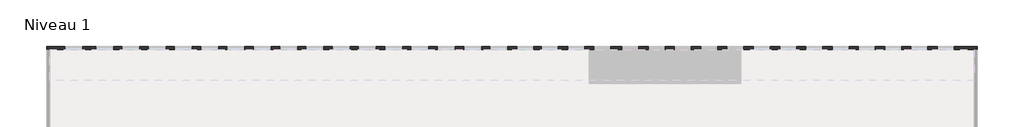
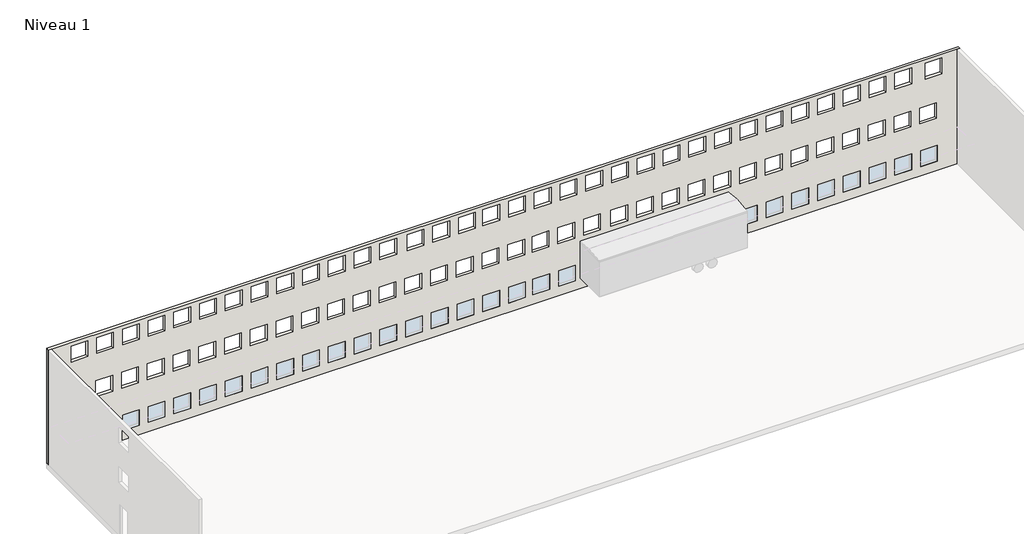
# One storey, part 4 of 5: 1 wall.
"""IFC4 building model written with IfcOpenShell, lengths in millimetres."""

from ifc_helpers import new_model, si_unit, origin, place, context, project, spatial, faceted_brep, element, save

model = new_model("IFC4")

# Units and contexts
model_context = context("Model", 3, world=origin())
ifc_project = project(units=[si_unit("LENGTHUNIT", "METRE", prefix="MILLI")], contexts=[model_context])

# Site, building, storey
site = spatial("IfcSite", under=ifc_project)
building = spatial("IfcBuilding", under=site)
storey = spatial("IfcBuildingStorey", under=building, Name="Niveau 1", Elevation=0.0)

# Wall
placement = place(None, origin())
element("IfcWall", 1, at=placement, inside=storey, context=model_context, shape_type="Brep", body=[
    faceted_brep([(-25466.075423, 7853.1124417, 0.0), (-25266.075423, 7853.1124417, 0.0), (34533.924577, 7853.1124417, 0.0), (34733.924577, 7853.1124417, 0.0), (34733.924577, 7853.1124417, 8000.0), (34533.924577, 7853.1124417, 8000.0), (-25266.075423, 7853.1124417, 8000.0), (-25466.075423, 7853.1124417, 8000.0), (-24266.075423, 7853.1124417, 650.0), (-24266.075423, 7853.1124417, 1750.0), (-23166.075423, 7853.1124417, 1750.0), (-23166.075423, 7853.1124417, 650.0), (-22266.075423, 7853.1124417, 650.0), (-22266.075423, 7853.1124417, 1750.0), (-21166.075423, 7853.1124417, 1750.0), (-21166.075423, 7853.1124417, 650.0), (-20566.075423, 7853.1124417, 650.0), (-20566.075423, 7853.1124417, 1750.0), (-19466.075423, 7853.1124417, 1750.0), (-19466.075423, 7853.1124417, 650.0), (-18866.075423, 7853.1124417, 650.0), (-18866.075423, 7853.1124417, 1750.0), (-17766.075423, 7853.1124417, 1750.0), (-17766.075423, 7853.1124417, 650.0), (-17166.075423, 7853.1124417, 650.0), (-17166.075423, 7853.1124417, 1750.0), (-16066.075423, 7853.1124417, 1750.0), (-16066.075423, 7853.1124417, 650.0), (-15466.075423, 7853.1124417, 650.0), (-15466.075423, 7853.1124417, 1750.0), (-14366.075423, 7853.1124417, 1750.0), (-14366.075423, 7853.1124417, 650.0), (-13766.075423, 7853.1124417, 650.0), (-13766.075423, 7853.1124417, 1750.0), (-12666.075423, 7853.1124417, 1750.0), (-12666.075423, 7853.1124417, 650.0), (-12066.075423, 7853.1124417, 650.0), (-12066.075423, 7853.1124417, 1750.0), (-10966.075423, 7853.1124417, 1750.0), (-10966.075423, 7853.1124417, 650.0), (-10366.075423, 7853.1124417, 650.0), (-10366.075423, 7853.1124417, 1750.0), (-9266.075423, 7853.1124417, 1750.0), (-9266.075423, 7853.1124417, 650.0), (-8666.075423, 7853.1124417, 650.0), (-8666.075423, 7853.1124417, 1750.0), (-7566.075423, 7853.1124417, 1750.0), (-7566.075423, 7853.1124417, 650.0), (-6966.075423, 7853.1124417, 650.0), (-6966.075423, 7853.1124417, 1750.0), (-5866.075423, 7853.1124417, 1750.0), (-5866.075423, 7853.1124417, 650.0), (-5266.075423, 7853.1124417, 650.0), (-5266.075423, 7853.1124417, 1750.0), (-4166.075423, 7853.1124417, 1750.0), (-4166.075423, 7853.1124417, 650.0), (-3566.075423, 7853.1124417, 650.0), (-3566.075423, 7853.1124417, 1750.0), (-2466.075423, 7853.1124417, 1750.0), (-2466.075423, 7853.1124417, 650.0), (-1866.075423, 7853.1124417, 650.0), (-1866.075423, 7853.1124417, 1750.0), (-766.075423, 7853.1124417, 1750.0), (-766.075423, 7853.1124417, 650.0), (-166.075423, 7853.1124417, 650.0), (-166.075423, 7853.1124417, 1750.0), (933.924577, 7853.1124417, 1750.0), (933.924577, 7853.1124417, 650.0), (1533.924577, 7853.1124417, 650.0), (1533.924577, 7853.1124417, 1750.0), (2633.924577, 7853.1124417, 1750.0), (2633.924577, 7853.1124417, 650.0), (3233.924577, 7853.1124417, 650.0), (3233.924577, 7853.1124417, 1750.0), (4333.924577, 7853.1124417, 1750.0), (4333.924577, 7853.1124417, 650.0), (4933.924577, 7853.1124417, 650.0), (4933.924577, 7853.1124417, 1750.0), (6033.924577, 7853.1124417, 1750.0), (6033.924577, 7853.1124417, 650.0), (6533.924577, 7853.1124417, 650.0), (6533.924577, 7853.1124417, 1750.0), (7633.924577, 7853.1124417, 1750.0), (7633.924577, 7853.1124417, 650.0), (8233.924577, 7853.1124417, 650.0), (8233.924577, 7853.1124417, 1750.0), (9333.924577, 7853.1124417, 1750.0), (9333.924577, 7853.1124417, 650.0), (9933.924577, 7853.1124417, 650.0), (9933.924577, 7853.1124417, 1750.0), (11033.924577, 7853.1124417, 1750.0), (11033.924577, 7853.1124417, 650.0), (11733.924577, 7853.1124417, 650.0), (11733.924577, 7853.1124417, 1750.0), (12833.924577, 7853.1124417, 1750.0), (12833.924577, 7853.1124417, 650.0), (13433.924577, 7853.1124417, 650.0), (13433.924577, 7853.1124417, 1750.0), (14533.924577, 7853.1124417, 1750.0), (14533.924577, 7853.1124417, 650.0), (15133.924577, 7853.1124417, 650.0), (15133.924577, 7853.1124417, 1750.0), (16233.924577, 7853.1124417, 1750.0), (16233.924577, 7853.1124417, 650.0), (16833.924577, 7853.1124417, 650.0), (16833.924577, 7853.1124417, 1750.0), (17933.924577, 7853.1124417, 1750.0), (17933.924577, 7853.1124417, 650.0), (18533.924577, 7853.1124417, 650.0), (18533.924577, 7853.1124417, 1750.0), (19633.924577, 7853.1124417, 1750.0), (19633.924577, 7853.1124417, 650.0), (20233.924577, 7853.1124417, 650.0), (20233.924577, 7853.1124417, 1750.0), (21333.924577, 7853.1124417, 1750.0), (21333.924577, 7853.1124417, 650.0), (21933.924577, 7853.1124417, 650.0), (21933.924577, 7853.1124417, 1750.0), (23033.924577, 7853.1124417, 1750.0), (23033.924577, 7853.1124417, 650.0), (23633.924577, 7853.1124417, 650.0), (23633.924577, 7853.1124417, 1750.0), (24733.924577, 7853.1124417, 1750.0), (24733.924577, 7853.1124417, 650.0), (25333.924577, 7853.1124417, 650.0), (25333.924577, 7853.1124417, 1750.0), (26433.924577, 7853.1124417, 1750.0), (26433.924577, 7853.1124417, 650.0), (27033.924577, 7853.1124417, 650.0), (27033.924577, 7853.1124417, 1750.0), (28133.924577, 7853.1124417, 1750.0), (28133.924577, 7853.1124417, 650.0), (28733.924577, 7853.1124417, 650.0), (28733.924577, 7853.1124417, 1750.0), (29833.924577, 7853.1124417, 1750.0), (29833.924577, 7853.1124417, 650.0), (30433.924577, 7853.1124417, 650.0), (30433.924577, 7853.1124417, 1750.0), (31533.924577, 7853.1124417, 1750.0), (31533.924577, 7853.1124417, 650.0), (32133.924577, 7853.1124417, 650.0), (32133.924577, 7853.1124417, 1750.0), (33233.924577, 7853.1124417, 1750.0), (33233.924577, 7853.1124417, 650.0), (32083.924577, 7853.1124417, 3650.0), (32083.924577, 7853.1124417, 4750.0), (33183.924577, 7853.1124417, 4750.0), (33183.924577, 7853.1124417, 3650.0), (30383.924577, 7853.1124417, 3650.0), (30383.924577, 7853.1124417, 4750.0), (31483.924577, 7853.1124417, 4750.0), (31483.924577, 7853.1124417, 3650.0), (28683.924577, 7853.1124417, 3650.0), (28683.924577, 7853.1124417, 4750.0), (29783.924577, 7853.1124417, 4750.0), (29783.924577, 7853.1124417, 3650.0), (26983.924577, 7853.1124417, 3650.0), (26983.924577, 7853.1124417, 4750.0), (28083.924577, 7853.1124417, 4750.0), (28083.924577, 7853.1124417, 3650.0), (25283.924577, 7853.1124417, 3650.0), (25283.924577, 7853.1124417, 4750.0), (26383.924577, 7853.1124417, 4750.0), (26383.924577, 7853.1124417, 3650.0), (23583.924577, 7853.1124417, 3650.0), (23583.924577, 7853.1124417, 4750.0), (24683.924577, 7853.1124417, 4750.0), (24683.924577, 7853.1124417, 3650.0), (21883.924577, 7853.1124417, 3650.0), (21883.924577, 7853.1124417, 4750.0), (22983.924577, 7853.1124417, 4750.0), (22983.924577, 7853.1124417, 3650.0), (20183.924577, 7853.1124417, 3650.0), (20183.924577, 7853.1124417, 4750.0), (21283.924577, 7853.1124417, 4750.0), (21283.924577, 7853.1124417, 3650.0), (18483.924577, 7853.1124417, 3650.0), (18483.924577, 7853.1124417, 4750.0), (19583.924577, 7853.1124417, 4750.0), (19583.924577, 7853.1124417, 3650.0), (16783.924577, 7853.1124417, 3650.0), (16783.924577, 7853.1124417, 4750.0), (17883.924577, 7853.1124417, 4750.0), (17883.924577, 7853.1124417, 3650.0), (15083.924577, 7853.1124417, 3650.0), (15083.924577, 7853.1124417, 4750.0), (16183.924577, 7853.1124417, 4750.0), (16183.924577, 7853.1124417, 3650.0), (13383.924577, 7853.1124417, 3650.0), (13383.924577, 7853.1124417, 4750.0), (14483.924577, 7853.1124417, 4750.0), (14483.924577, 7853.1124417, 3650.0), (11683.924577, 7853.1124417, 3650.0), (11683.924577, 7853.1124417, 4750.0), (12783.924577, 7853.1124417, 4750.0), (12783.924577, 7853.1124417, 3650.0), (9883.924577, 7853.1124417, 3650.0), (9883.924577, 7853.1124417, 4750.0), (10983.924577, 7853.1124417, 4750.0), (10983.924577, 7853.1124417, 3650.0), (8183.924577, 7853.1124417, 3650.0), (8183.924577, 7853.1124417, 4750.0), (9283.924577, 7853.1124417, 4750.0), (9283.924577, 7853.1124417, 3650.0), (6483.924577, 7853.1124417, 3650.0), (6483.924577, 7853.1124417, 4750.0), (7583.924577, 7853.1124417, 4750.0), (7583.924577, 7853.1124417, 3650.0), (4883.924577, 7853.1124417, 3650.0), (4883.924577, 7853.1124417, 4750.0), (5983.924577, 7853.1124417, 4750.0), (5983.924577, 7853.1124417, 3650.0), (3183.924577, 7853.1124417, 3650.0), (3183.924577, 7853.1124417, 4750.0), (4283.924577, 7853.1124417, 4750.0), (4283.924577, 7853.1124417, 3650.0), (1483.924577, 7853.1124417, 3650.0), (1483.924577, 7853.1124417, 4750.0), (2583.924577, 7853.1124417, 4750.0), (2583.924577, 7853.1124417, 3650.0), (-216.075423, 7853.1124417, 3650.0), (-216.075423, 7853.1124417, 4750.0), (883.924577, 7853.1124417, 4750.0), (883.924577, 7853.1124417, 3650.0), (-1916.075423, 7853.1124417, 3650.0), (-1916.075423, 7853.1124417, 4750.0), (-816.075423, 7853.1124417, 4750.0), (-816.075423, 7853.1124417, 3650.0), (-3616.075423, 7853.1124417, 3650.0), (-3616.075423, 7853.1124417, 4750.0), (-2516.075423, 7853.1124417, 4750.0), (-2516.075423, 7853.1124417, 3650.0), (-5316.075423, 7853.1124417, 3650.0), (-5316.075423, 7853.1124417, 4750.0), (-4216.075423, 7853.1124417, 4750.0), (-4216.075423, 7853.1124417, 3650.0), (-7016.075423, 7853.1124417, 3650.0), (-7016.075423, 7853.1124417, 4750.0), (-5916.075423, 7853.1124417, 4750.0), (-5916.075423, 7853.1124417, 3650.0), (-8716.075423, 7853.1124417, 3650.0), (-8716.075423, 7853.1124417, 4750.0), (-7616.075423, 7853.1124417, 4750.0), (-7616.075423, 7853.1124417, 3650.0), (-10416.075423, 7853.1124417, 3650.0), (-10416.075423, 7853.1124417, 4750.0), (-9316.075423, 7853.1124417, 4750.0), (-9316.075423, 7853.1124417, 3650.0), (-12116.075423, 7853.1124417, 3650.0), (-12116.075423, 7853.1124417, 4750.0), (-11016.075423, 7853.1124417, 4750.0), (-11016.075423, 7853.1124417, 3650.0), (-13816.075423, 7853.1124417, 3650.0), (-13816.075423, 7853.1124417, 4750.0), (-12716.075423, 7853.1124417, 4750.0), (-12716.075423, 7853.1124417, 3650.0), (-15516.075423, 7853.1124417, 3650.0), (-15516.075423, 7853.1124417, 4750.0), (-14416.075423, 7853.1124417, 4750.0), (-14416.075423, 7853.1124417, 3650.0), (-17216.075423, 7853.1124417, 3650.0), (-17216.075423, 7853.1124417, 4750.0), (-16116.075423, 7853.1124417, 4750.0), (-16116.075423, 7853.1124417, 3650.0), (-18916.075423, 7853.1124417, 3650.0), (-18916.075423, 7853.1124417, 4750.0), (-17816.075423, 7853.1124417, 4750.0), (-17816.075423, 7853.1124417, 3650.0), (-20616.075423, 7853.1124417, 3650.0), (-20616.075423, 7853.1124417, 4750.0), (-19516.075423, 7853.1124417, 4750.0), (-19516.075423, 7853.1124417, 3650.0), (-22316.075423, 7853.1124417, 3650.0), (-22316.075423, 7853.1124417, 4750.0), (-21216.075423, 7853.1124417, 4750.0), (-21216.075423, 7853.1124417, 3650.0), (-24316.075423, 7853.1124417, 3650.0), (-24316.075423, 7853.1124417, 4750.0), (-23216.075423, 7853.1124417, 4750.0), (-23216.075423, 7853.1124417, 3650.0), (-22866.075423, 7853.1124417, 6650.0), (-23966.075423, 7853.1124417, 6650.0), (-23966.075423, 7853.1124417, 7750.0), (-22866.075423, 7853.1124417, 7750.0), (-21166.075423, 7853.1124417, 6650.0), (-22266.075423, 7853.1124417, 6650.0), (-22266.075423, 7853.1124417, 7750.0), (-21166.075423, 7853.1124417, 7750.0), (-19466.075423, 7853.1124417, 6650.0), (-20566.075423, 7853.1124417, 6650.0), (-20566.075423, 7853.1124417, 7750.0), (-19466.075423, 7853.1124417, 7750.0), (-17766.075423, 7853.1124417, 6650.0), (-18866.075423, 7853.1124417, 6650.0), (-18866.075423, 7853.1124417, 7750.0), (-17766.075423, 7853.1124417, 7750.0), (-16066.075423, 7853.1124417, 6650.0), (-17166.075423, 7853.1124417, 6650.0), (-17166.075423, 7853.1124417, 7750.0), (-16066.075423, 7853.1124417, 7750.0), (-14366.075423, 7853.1124417, 6650.0), (-15466.075423, 7853.1124417, 6650.0), (-15466.075423, 7853.1124417, 7750.0), (-14366.075423, 7853.1124417, 7750.0), (-12666.075423, 7853.1124417, 6650.0), (-13766.075423, 7853.1124417, 6650.0), (-13766.075423, 7853.1124417, 7750.0), (-12666.075423, 7853.1124417, 7750.0), (-10966.075423, 7853.1124417, 6650.0), (-12066.075423, 7853.1124417, 6650.0), (-12066.075423, 7853.1124417, 7750.0), (-10966.075423, 7853.1124417, 7750.0), (-9266.075423, 7853.1124417, 6650.0), (-10366.075423, 7853.1124417, 6650.0), (-10366.075423, 7853.1124417, 7750.0), (-9266.075423, 7853.1124417, 7750.0), (-7566.075423, 7853.1124417, 6650.0), (-8666.075423, 7853.1124417, 6650.0), (-8666.075423, 7853.1124417, 7750.0), (-7566.075423, 7853.1124417, 7750.0), (-5866.075423, 7853.1124417, 6650.0), (-6966.075423, 7853.1124417, 6650.0), (-6966.075423, 7853.1124417, 7750.0), (-5866.075423, 7853.1124417, 7750.0), (-4166.075423, 7853.1124417, 6650.0), (-5266.075423, 7853.1124417, 6650.0), (-5266.075423, 7853.1124417, 7750.0), (-4166.075423, 7853.1124417, 7750.0), (-2466.075423, 7853.1124417, 6650.0), (-3566.075423, 7853.1124417, 6650.0), (-3566.075423, 7853.1124417, 7750.0), (-2466.075423, 7853.1124417, 7750.0), (-666.075423, 7853.1124417, 6650.0), (-1766.075423, 7853.1124417, 6650.0), (-1766.075423, 7853.1124417, 7750.0), (-666.075423, 7853.1124417, 7750.0), (1033.924577, 7853.1124417, 6650.0), (-66.075423, 7853.1124417, 6650.0), (-66.075423, 7853.1124417, 7750.0), (1033.924577, 7853.1124417, 7750.0), (2733.924577, 7853.1124417, 6650.0), (1633.924577, 7853.1124417, 6650.0), (1633.924577, 7853.1124417, 7750.0), (2733.924577, 7853.1124417, 7750.0), (4333.924577, 7853.1124417, 6650.0), (3233.924577, 7853.1124417, 6650.0), (3233.924577, 7853.1124417, 7750.0), (4333.924577, 7853.1124417, 7750.0), (6033.924577, 7853.1124417, 6650.0), (4933.924577, 7853.1124417, 6650.0), (4933.924577, 7853.1124417, 7750.0), (6033.924577, 7853.1124417, 7750.0), (7733.924577, 7853.1124417, 6650.0), (6633.924577, 7853.1124417, 6650.0), (6633.924577, 7853.1124417, 7750.0), (7733.924577, 7853.1124417, 7750.0), (9433.924577, 7853.1124417, 6650.0), (8333.924577, 7853.1124417, 6650.0), (8333.924577, 7853.1124417, 7750.0), (9433.924577, 7853.1124417, 7750.0), (11133.924577, 7853.1124417, 6650.0), (10033.924577, 7853.1124417, 6650.0), (10033.924577, 7853.1124417, 7750.0), (11133.924577, 7853.1124417, 7750.0), (12833.924577, 7853.1124417, 6650.0), (11733.924577, 7853.1124417, 6650.0), (11733.924577, 7853.1124417, 7750.0), (12833.924577, 7853.1124417, 7750.0), (14533.924577, 7853.1124417, 6650.0), (13433.924577, 7853.1124417, 6650.0), (13433.924577, 7853.1124417, 7750.0), (14533.924577, 7853.1124417, 7750.0), (16233.924577, 7853.1124417, 6650.0), (15133.924577, 7853.1124417, 6650.0), (15133.924577, 7853.1124417, 7750.0), (16233.924577, 7853.1124417, 7750.0), (17933.924577, 7853.1124417, 6650.0), (16833.924577, 7853.1124417, 6650.0), (16833.924577, 7853.1124417, 7750.0), (17933.924577, 7853.1124417, 7750.0), (19633.924577, 7853.1124417, 6650.0), (18533.924577, 7853.1124417, 6650.0), (18533.924577, 7853.1124417, 7750.0), (19633.924577, 7853.1124417, 7750.0), (21333.924577, 7853.1124417, 6650.0), (20233.924577, 7853.1124417, 6650.0), (20233.924577, 7853.1124417, 7750.0), (21333.924577, 7853.1124417, 7750.0), (23033.924577, 7853.1124417, 6650.0), (21933.924577, 7853.1124417, 6650.0), (21933.924577, 7853.1124417, 7750.0), (23033.924577, 7853.1124417, 7750.0), (24733.924577, 7853.1124417, 6650.0), (23633.924577, 7853.1124417, 6650.0), (23633.924577, 7853.1124417, 7750.0), (24733.924577, 7853.1124417, 7750.0), (26433.924577, 7853.1124417, 6650.0), (25333.924577, 7853.1124417, 6650.0), (25333.924577, 7853.1124417, 7750.0), (26433.924577, 7853.1124417, 7750.0), (28133.924577, 7853.1124417, 6650.0), (27033.924577, 7853.1124417, 6650.0), (27033.924577, 7853.1124417, 7750.0), (28133.924577, 7853.1124417, 7750.0), (29833.924577, 7853.1124417, 6650.0), (28733.924577, 7853.1124417, 6650.0), (28733.924577, 7853.1124417, 7750.0), (29833.924577, 7853.1124417, 7750.0), (31533.924577, 7853.1124417, 6650.0), (30433.924577, 7853.1124417, 6650.0), (30433.924577, 7853.1124417, 7750.0), (31533.924577, 7853.1124417, 7750.0), (33533.924577, 7853.1124417, 6650.0), (32433.924577, 7853.1124417, 6650.0), (32433.924577, 7853.1124417, 7750.0), (33533.924577, 7853.1124417, 7750.0), (-25466.075423, 8053.1124417, 0.0), (-25466.075423, 8053.1124417, 8000.0), (34733.924577, 8053.1124417, 8000.0), (34733.924577, 8053.1124417, 0.0), (-24266.075423, 8053.1124417, 650.0), (-23166.075423, 8053.1124417, 650.0), (-23166.075423, 8053.1124417, 1750.0), (-24266.075423, 8053.1124417, 1750.0), (-22266.075423, 8053.1124417, 650.0), (-21166.075423, 8053.1124417, 650.0), (-21166.075423, 8053.1124417, 1750.0), (-22266.075423, 8053.1124417, 1750.0), (-20566.075423, 8053.1124417, 650.0), (-19466.075423, 8053.1124417, 650.0), (-19466.075423, 8053.1124417, 1750.0), (-20566.075423, 8053.1124417, 1750.0), (-18866.075423, 8053.1124417, 650.0), (-17766.075423, 8053.1124417, 650.0), (-17766.075423, 8053.1124417, 1750.0), (-18866.075423, 8053.1124417, 1750.0), (-17166.075423, 8053.1124417, 650.0), (-16066.075423, 8053.1124417, 650.0), (-16066.075423, 8053.1124417, 1750.0), (-17166.075423, 8053.1124417, 1750.0), (-15466.075423, 8053.1124417, 650.0), (-14366.075423, 8053.1124417, 650.0), (-14366.075423, 8053.1124417, 1750.0), (-15466.075423, 8053.1124417, 1750.0), (-13766.075423, 8053.1124417, 650.0), (-12666.075423, 8053.1124417, 650.0), (-12666.075423, 8053.1124417, 1750.0), (-13766.075423, 8053.1124417, 1750.0), (-12066.075423, 8053.1124417, 650.0), (-10966.075423, 8053.1124417, 650.0), (-10966.075423, 8053.1124417, 1750.0), (-12066.075423, 8053.1124417, 1750.0), (-10366.075423, 8053.1124417, 650.0), (-9266.075423, 8053.1124417, 650.0), (-9266.075423, 8053.1124417, 1750.0), (-10366.075423, 8053.1124417, 1750.0), (-8666.075423, 8053.1124417, 650.0), (-7566.075423, 8053.1124417, 650.0), (-7566.075423, 8053.1124417, 1750.0), (-8666.075423, 8053.1124417, 1750.0), (-6966.075423, 8053.1124417, 650.0), (-5866.075423, 8053.1124417, 650.0), (-5866.075423, 8053.1124417, 1750.0), (-6966.075423, 8053.1124417, 1750.0), (-5266.075423, 8053.1124417, 650.0), (-4166.075423, 8053.1124417, 650.0), (-4166.075423, 8053.1124417, 1750.0), (-5266.075423, 8053.1124417, 1750.0), (-3566.075423, 8053.1124417, 650.0), (-2466.075423, 8053.1124417, 650.0), (-2466.075423, 8053.1124417, 1750.0), (-3566.075423, 8053.1124417, 1750.0), (-1866.075423, 8053.1124417, 650.0), (-766.075423, 8053.1124417, 650.0), (-766.075423, 8053.1124417, 1750.0), (-1866.075423, 8053.1124417, 1750.0), (-166.075423, 8053.1124417, 650.0), (933.924577, 8053.1124417, 650.0), (933.924577, 8053.1124417, 1750.0), (-166.075423, 8053.1124417, 1750.0), (1533.924577, 8053.1124417, 650.0), (2633.924577, 8053.1124417, 650.0), (2633.924577, 8053.1124417, 1750.0), (1533.924577, 8053.1124417, 1750.0), (3233.924577, 8053.1124417, 650.0), (4333.924577, 8053.1124417, 650.0), (4333.924577, 8053.1124417, 1750.0), (3233.924577, 8053.1124417, 1750.0), (4933.924577, 8053.1124417, 650.0), (6033.924577, 8053.1124417, 650.0), (6033.924577, 8053.1124417, 1750.0), (4933.924577, 8053.1124417, 1750.0), (6533.924577, 8053.1124417, 650.0), (7633.924577, 8053.1124417, 650.0), (7633.924577, 8053.1124417, 1750.0), (6533.924577, 8053.1124417, 1750.0), (8233.924577, 8053.1124417, 650.0), (9333.924577, 8053.1124417, 650.0), (9333.924577, 8053.1124417, 1750.0), (8233.924577, 8053.1124417, 1750.0), (9933.924577, 8053.1124417, 650.0), (11033.924577, 8053.1124417, 650.0), (11033.924577, 8053.1124417, 1750.0), (9933.924577, 8053.1124417, 1750.0), (11733.924577, 8053.1124417, 650.0), (12833.924577, 8053.1124417, 650.0), (12833.924577, 8053.1124417, 1750.0), (11733.924577, 8053.1124417, 1750.0), (13433.924577, 8053.1124417, 650.0), (14533.924577, 8053.1124417, 650.0), (14533.924577, 8053.1124417, 1750.0), (13433.924577, 8053.1124417, 1750.0), (15133.924577, 8053.1124417, 650.0), (16233.924577, 8053.1124417, 650.0), (16233.924577, 8053.1124417, 1750.0), (15133.924577, 8053.1124417, 1750.0), (16833.924577, 8053.1124417, 650.0), (17933.924577, 8053.1124417, 650.0), (17933.924577, 8053.1124417, 1750.0), (16833.924577, 8053.1124417, 1750.0), (18533.924577, 8053.1124417, 650.0), (19633.924577, 8053.1124417, 650.0), (19633.924577, 8053.1124417, 1750.0), (18533.924577, 8053.1124417, 1750.0), (20233.924577, 8053.1124417, 650.0), (21333.924577, 8053.1124417, 650.0), (21333.924577, 8053.1124417, 1750.0), (20233.924577, 8053.1124417, 1750.0), (21933.924577, 8053.1124417, 650.0), (23033.924577, 8053.1124417, 650.0), (23033.924577, 8053.1124417, 1750.0), (21933.924577, 8053.1124417, 1750.0), (23633.924577, 8053.1124417, 650.0), (24733.924577, 8053.1124417, 650.0), (24733.924577, 8053.1124417, 1750.0), (23633.924577, 8053.1124417, 1750.0), (25333.924577, 8053.1124417, 650.0), (26433.924577, 8053.1124417, 650.0), (26433.924577, 8053.1124417, 1750.0), (25333.924577, 8053.1124417, 1750.0), (27033.924577, 8053.1124417, 650.0), (28133.924577, 8053.1124417, 650.0), (28133.924577, 8053.1124417, 1750.0), (27033.924577, 8053.1124417, 1750.0), (28733.924577, 8053.1124417, 650.0), (29833.924577, 8053.1124417, 650.0), (29833.924577, 8053.1124417, 1750.0), (28733.924577, 8053.1124417, 1750.0), (30433.924577, 8053.1124417, 650.0), (31533.924577, 8053.1124417, 650.0), (31533.924577, 8053.1124417, 1750.0), (30433.924577, 8053.1124417, 1750.0), (32133.924577, 8053.1124417, 650.0), (33233.924577, 8053.1124417, 650.0), (33233.924577, 8053.1124417, 1750.0), (32133.924577, 8053.1124417, 1750.0), (32083.924577, 8053.1124417, 3650.0), (33183.924577, 8053.1124417, 3650.0), (33183.924577, 8053.1124417, 4750.0), (32083.924577, 8053.1124417, 4750.0), (30383.924577, 8053.1124417, 3650.0), (31483.924577, 8053.1124417, 3650.0), (31483.924577, 8053.1124417, 4750.0), (30383.924577, 8053.1124417, 4750.0), (28683.924577, 8053.1124417, 3650.0), (29783.924577, 8053.1124417, 3650.0), (29783.924577, 8053.1124417, 4750.0), (28683.924577, 8053.1124417, 4750.0), (26983.924577, 8053.1124417, 3650.0), (28083.924577, 8053.1124417, 3650.0), (28083.924577, 8053.1124417, 4750.0), (26983.924577, 8053.1124417, 4750.0), (25283.924577, 8053.1124417, 3650.0), (26383.924577, 8053.1124417, 3650.0), (26383.924577, 8053.1124417, 4750.0), (25283.924577, 8053.1124417, 4750.0), (23583.924577, 8053.1124417, 3650.0), (24683.924577, 8053.1124417, 3650.0), (24683.924577, 8053.1124417, 4750.0), (23583.924577, 8053.1124417, 4750.0), (21883.924577, 8053.1124417, 3650.0), (22983.924577, 8053.1124417, 3650.0), (22983.924577, 8053.1124417, 4750.0), (21883.924577, 8053.1124417, 4750.0), (20183.924577, 8053.1124417, 3650.0), (21283.924577, 8053.1124417, 3650.0), (21283.924577, 8053.1124417, 4750.0), (20183.924577, 8053.1124417, 4750.0), (18483.924577, 8053.1124417, 3650.0), (19583.924577, 8053.1124417, 3650.0), (19583.924577, 8053.1124417, 4750.0), (18483.924577, 8053.1124417, 4750.0), (16783.924577, 8053.1124417, 3650.0), (17883.924577, 8053.1124417, 3650.0), (17883.924577, 8053.1124417, 4750.0), (16783.924577, 8053.1124417, 4750.0), (15083.924577, 8053.1124417, 3650.0), (16183.924577, 8053.1124417, 3650.0), (16183.924577, 8053.1124417, 4750.0), (15083.924577, 8053.1124417, 4750.0), (13383.924577, 8053.1124417, 3650.0), (14483.924577, 8053.1124417, 3650.0), (14483.924577, 8053.1124417, 4750.0), (13383.924577, 8053.1124417, 4750.0), (11683.924577, 8053.1124417, 3650.0), (12783.924577, 8053.1124417, 3650.0), (12783.924577, 8053.1124417, 4750.0), (11683.924577, 8053.1124417, 4750.0), (9883.924577, 8053.1124417, 3650.0), (10983.924577, 8053.1124417, 3650.0), (10983.924577, 8053.1124417, 4750.0), (9883.924577, 8053.1124417, 4750.0), (8183.924577, 8053.1124417, 3650.0), (9283.924577, 8053.1124417, 3650.0), (9283.924577, 8053.1124417, 4750.0), (8183.924577, 8053.1124417, 4750.0), (6483.924577, 8053.1124417, 3650.0), (7583.924577, 8053.1124417, 3650.0), (7583.924577, 8053.1124417, 4750.0), (6483.924577, 8053.1124417, 4750.0), (4883.924577, 8053.1124417, 3650.0), (5983.924577, 8053.1124417, 3650.0), (5983.924577, 8053.1124417, 4750.0), (4883.924577, 8053.1124417, 4750.0), (3183.924577, 8053.1124417, 3650.0), (4283.924577, 8053.1124417, 3650.0), (4283.924577, 8053.1124417, 4750.0), (3183.924577, 8053.1124417, 4750.0), (1483.924577, 8053.1124417, 3650.0), (2583.924577, 8053.1124417, 3650.0), (2583.924577, 8053.1124417, 4750.0), (1483.924577, 8053.1124417, 4750.0), (-216.075423, 8053.1124417, 3650.0), (883.924577, 8053.1124417, 3650.0), (883.924577, 8053.1124417, 4750.0), (-216.075423, 8053.1124417, 4750.0), (-1916.075423, 8053.1124417, 3650.0), (-816.075423, 8053.1124417, 3650.0), (-816.075423, 8053.1124417, 4750.0), (-1916.075423, 8053.1124417, 4750.0), (-3616.075423, 8053.1124417, 3650.0), (-2516.075423, 8053.1124417, 3650.0), (-2516.075423, 8053.1124417, 4750.0), (-3616.075423, 8053.1124417, 4750.0), (-5316.075423, 8053.1124417, 3650.0), (-4216.075423, 8053.1124417, 3650.0), (-4216.075423, 8053.1124417, 4750.0), (-5316.075423, 8053.1124417, 4750.0), (-7016.075423, 8053.1124417, 3650.0), (-5916.075423, 8053.1124417, 3650.0), (-5916.075423, 8053.1124417, 4750.0), (-7016.075423, 8053.1124417, 4750.0), (-8716.075423, 8053.1124417, 3650.0), (-7616.075423, 8053.1124417, 3650.0), (-7616.075423, 8053.1124417, 4750.0), (-8716.075423, 8053.1124417, 4750.0), (-10416.075423, 8053.1124417, 3650.0), (-9316.075423, 8053.1124417, 3650.0), (-9316.075423, 8053.1124417, 4750.0), (-10416.075423, 8053.1124417, 4750.0), (-12116.075423, 8053.1124417, 3650.0), (-11016.075423, 8053.1124417, 3650.0), (-11016.075423, 8053.1124417, 4750.0), (-12116.075423, 8053.1124417, 4750.0), (-13816.075423, 8053.1124417, 3650.0), (-12716.075423, 8053.1124417, 3650.0), (-12716.075423, 8053.1124417, 4750.0), (-13816.075423, 8053.1124417, 4750.0), (-15516.075423, 8053.1124417, 3650.0), (-14416.075423, 8053.1124417, 3650.0), (-14416.075423, 8053.1124417, 4750.0), (-15516.075423, 8053.1124417, 4750.0), (-17216.075423, 8053.1124417, 3650.0), (-16116.075423, 8053.1124417, 3650.0), (-16116.075423, 8053.1124417, 4750.0), (-17216.075423, 8053.1124417, 4750.0), (-18916.075423, 8053.1124417, 3650.0), (-17816.075423, 8053.1124417, 3650.0), (-17816.075423, 8053.1124417, 4750.0), (-18916.075423, 8053.1124417, 4750.0), (-20616.075423, 8053.1124417, 3650.0), (-19516.075423, 8053.1124417, 3650.0), (-19516.075423, 8053.1124417, 4750.0), (-20616.075423, 8053.1124417, 4750.0), (-22316.075423, 8053.1124417, 3650.0), (-21216.075423, 8053.1124417, 3650.0), (-21216.075423, 8053.1124417, 4750.0), (-22316.075423, 8053.1124417, 4750.0), (-24316.075423, 8053.1124417, 3650.0), (-23216.075423, 8053.1124417, 3650.0), (-23216.075423, 8053.1124417, 4750.0), (-24316.075423, 8053.1124417, 4750.0), (-22866.075423, 8053.1124417, 6650.0), (-22866.075423, 8053.1124417, 7750.0), (-23966.075423, 8053.1124417, 7750.0), (-23966.075423, 8053.1124417, 6650.0), (-21166.075423, 8053.1124417, 6650.0), (-21166.075423, 8053.1124417, 7750.0), (-22266.075423, 8053.1124417, 7750.0), (-22266.075423, 8053.1124417, 6650.0), (-19466.075423, 8053.1124417, 6650.0), (-19466.075423, 8053.1124417, 7750.0), (-20566.075423, 8053.1124417, 7750.0), (-20566.075423, 8053.1124417, 6650.0), (-17766.075423, 8053.1124417, 6650.0), (-17766.075423, 8053.1124417, 7750.0), (-18866.075423, 8053.1124417, 7750.0), (-18866.075423, 8053.1124417, 6650.0), (-16066.075423, 8053.1124417, 6650.0), (-16066.075423, 8053.1124417, 7750.0), (-17166.075423, 8053.1124417, 7750.0), (-17166.075423, 8053.1124417, 6650.0), (-14366.075423, 8053.1124417, 6650.0), (-14366.075423, 8053.1124417, 7750.0), (-15466.075423, 8053.1124417, 7750.0), (-15466.075423, 8053.1124417, 6650.0), (-12666.075423, 8053.1124417, 6650.0), (-12666.075423, 8053.1124417, 7750.0), (-13766.075423, 8053.1124417, 7750.0), (-13766.075423, 8053.1124417, 6650.0), (-10966.075423, 8053.1124417, 6650.0), (-10966.075423, 8053.1124417, 7750.0), (-12066.075423, 8053.1124417, 7750.0), (-12066.075423, 8053.1124417, 6650.0), (-9266.075423, 8053.1124417, 6650.0), (-9266.075423, 8053.1124417, 7750.0), (-10366.075423, 8053.1124417, 7750.0), (-10366.075423, 8053.1124417, 6650.0), (-7566.075423, 8053.1124417, 6650.0), (-7566.075423, 8053.1124417, 7750.0), (-8666.075423, 8053.1124417, 7750.0), (-8666.075423, 8053.1124417, 6650.0), (-5866.075423, 8053.1124417, 6650.0), (-5866.075423, 8053.1124417, 7750.0), (-6966.075423, 8053.1124417, 7750.0), (-6966.075423, 8053.1124417, 6650.0), (-4166.075423, 8053.1124417, 6650.0), (-4166.075423, 8053.1124417, 7750.0), (-5266.075423, 8053.1124417, 7750.0), (-5266.075423, 8053.1124417, 6650.0), (-2466.075423, 8053.1124417, 6650.0), (-2466.075423, 8053.1124417, 7750.0), (-3566.075423, 8053.1124417, 7750.0), (-3566.075423, 8053.1124417, 6650.0), (-666.075423, 8053.1124417, 6650.0), (-666.075423, 8053.1124417, 7750.0), (-1766.075423, 8053.1124417, 7750.0), (-1766.075423, 8053.1124417, 6650.0), (1033.924577, 8053.1124417, 6650.0), (1033.924577, 8053.1124417, 7750.0), (-66.075423, 8053.1124417, 7750.0), (-66.075423, 8053.1124417, 6650.0), (2733.924577, 8053.1124417, 6650.0), (2733.924577, 8053.1124417, 7750.0), (1633.924577, 8053.1124417, 7750.0), (1633.924577, 8053.1124417, 6650.0), (4333.924577, 8053.1124417, 6650.0), (4333.924577, 8053.1124417, 7750.0), (3233.924577, 8053.1124417, 7750.0), (3233.924577, 8053.1124417, 6650.0), (6033.924577, 8053.1124417, 6650.0), (6033.924577, 8053.1124417, 7750.0), (4933.924577, 8053.1124417, 7750.0), (4933.924577, 8053.1124417, 6650.0), (7733.924577, 8053.1124417, 6650.0), (7733.924577, 8053.1124417, 7750.0), (6633.924577, 8053.1124417, 7750.0), (6633.924577, 8053.1124417, 6650.0), (9433.924577, 8053.1124417, 6650.0), (9433.924577, 8053.1124417, 7750.0), (8333.924577, 8053.1124417, 7750.0), (8333.924577, 8053.1124417, 6650.0), (11133.924577, 8053.1124417, 6650.0), (11133.924577, 8053.1124417, 7750.0), (10033.924577, 8053.1124417, 7750.0), (10033.924577, 8053.1124417, 6650.0), (12833.924577, 8053.1124417, 6650.0), (12833.924577, 8053.1124417, 7750.0), (11733.924577, 8053.1124417, 7750.0), (11733.924577, 8053.1124417, 6650.0), (14533.924577, 8053.1124417, 6650.0), (14533.924577, 8053.1124417, 7750.0), (13433.924577, 8053.1124417, 7750.0), (13433.924577, 8053.1124417, 6650.0), (16233.924577, 8053.1124417, 6650.0), (16233.924577, 8053.1124417, 7750.0), (15133.924577, 8053.1124417, 7750.0), (15133.924577, 8053.1124417, 6650.0), (17933.924577, 8053.1124417, 6650.0), (17933.924577, 8053.1124417, 7750.0), (16833.924577, 8053.1124417, 7750.0), (16833.924577, 8053.1124417, 6650.0), (19633.924577, 8053.1124417, 6650.0), (19633.924577, 8053.1124417, 7750.0), (18533.924577, 8053.1124417, 7750.0), (18533.924577, 8053.1124417, 6650.0), (21333.924577, 8053.1124417, 6650.0), (21333.924577, 8053.1124417, 7750.0), (20233.924577, 8053.1124417, 7750.0), (20233.924577, 8053.1124417, 6650.0), (23033.924577, 8053.1124417, 6650.0), (23033.924577, 8053.1124417, 7750.0), (21933.924577, 8053.1124417, 7750.0), (21933.924577, 8053.1124417, 6650.0), (24733.924577, 8053.1124417, 6650.0), (24733.924577, 8053.1124417, 7750.0), (23633.924577, 8053.1124417, 7750.0), (23633.924577, 8053.1124417, 6650.0), (26433.924577, 8053.1124417, 6650.0), (26433.924577, 8053.1124417, 7750.0), (25333.924577, 8053.1124417, 7750.0), (25333.924577, 8053.1124417, 6650.0), (28133.924577, 8053.1124417, 6650.0), (28133.924577, 8053.1124417, 7750.0), (27033.924577, 8053.1124417, 7750.0), (27033.924577, 8053.1124417, 6650.0), (29833.924577, 8053.1124417, 6650.0), (29833.924577, 8053.1124417, 7750.0), (28733.924577, 8053.1124417, 7750.0), (28733.924577, 8053.1124417, 6650.0), (31533.924577, 8053.1124417, 6650.0), (31533.924577, 8053.1124417, 7750.0), (30433.924577, 8053.1124417, 7750.0), (30433.924577, 8053.1124417, 6650.0), (33533.924577, 8053.1124417, 6650.0), (33533.924577, 8053.1124417, 7750.0), (32433.924577, 8053.1124417, 7750.0), (32433.924577, 8053.1124417, 6650.0)], [[[0, 1, 2, 3, 4, 5, 6, 7], [8, 9, 10, 11], [12, 13, 14, 15], [16, 17, 18, 19], [20, 21, 22, 23], [24, 25, 26, 27], [28, 29, 30, 31], [32, 33, 34, 35], [36, 37, 38, 39], [40, 41, 42, 43], [44, 45, 46, 47], [48, 49, 50, 51], [52, 53, 54, 55], [56, 57, 58, 59], [60, 61, 62, 63], [64, 65, 66, 67], [68, 69, 70, 71], [72, 73, 74, 75], [76, 77, 78, 79], [80, 81, 82, 83], [84, 85, 86, 87], [88, 89, 90, 91], [92, 93, 94, 95], [96, 97, 98, 99], [100, 101, 102, 103], [104, 105, 106, 107], [108, 109, 110, 111], [112, 113, 114, 115], [116, 117, 118, 119], [120, 121, 122, 123], [124, 125, 126, 127], [128, 129, 130, 131], [132, 133, 134, 135], [136, 137, 138, 139], [140, 141, 142, 143], [144, 145, 146, 147], [148, 149, 150, 151], [152, 153, 154, 155], [156, 157, 158, 159], [160, 161, 162, 163], [164, 165, 166, 167], [168, 169, 170, 171], [172, 173, 174, 175], [176, 177, 178, 179], [180, 181, 182, 183], [184, 185, 186, 187], [188, 189, 190, 191], [192, 193, 194, 195], [196, 197, 198, 199], [200, 201, 202, 203], [204, 205, 206, 207], [208, 209, 210, 211], [212, 213, 214, 215], [216, 217, 218, 219], [220, 221, 222, 223], [224, 225, 226, 227], [228, 229, 230, 231], [232, 233, 234, 235], [236, 237, 238, 239], [240, 241, 242, 243], [244, 245, 246, 247], [248, 249, 250, 251], [252, 253, 254, 255], [256, 257, 258, 259], [260, 261, 262, 263], [264, 265, 266, 267], [268, 269, 270, 271], [272, 273, 274, 275], [276, 277, 278, 279], [280, 281, 282, 283], [284, 285, 286, 287], [288, 289, 290, 291], [292, 293, 294, 295], [296, 297, 298, 299], [300, 301, 302, 303], [304, 305, 306, 307], [308, 309, 310, 311], [312, 313, 314, 315], [316, 317, 318, 319], [320, 321, 322, 323], [324, 325, 326, 327], [328, 329, 330, 331], [332, 333, 334, 335], [336, 337, 338, 339], [340, 341, 342, 343], [344, 345, 346, 347], [348, 349, 350, 351], [352, 353, 354, 355], [356, 357, 358, 359], [360, 361, 362, 363], [364, 365, 366, 367], [368, 369, 370, 371], [372, 373, 374, 375], [376, 377, 378, 379], [380, 381, 382, 383], [384, 385, 386, 387], [388, 389, 390, 391], [392, 393, 394, 395], [396, 397, 398, 399], [400, 401, 402, 403], [404, 405, 406, 407], [408, 409, 410, 411], [412, 413, 414, 415]], [[416, 417, 418, 419], [420, 421, 422, 423], [424, 425, 426, 427], [428, 429, 430, 431], [432, 433, 434, 435], [436, 437, 438, 439], [440, 441, 442, 443], [444, 445, 446, 447], [448, 449, 450, 451], [452, 453, 454, 455], [456, 457, 458, 459], [460, 461, 462, 463], [464, 465, 466, 467], [468, 469, 470, 471], [472, 473, 474, 475], [476, 477, 478, 479], [480, 481, 482, 483], [484, 485, 486, 487], [488, 489, 490, 491], [492, 493, 494, 495], [496, 497, 498, 499], [500, 501, 502, 503], [504, 505, 506, 507], [508, 509, 510, 511], [512, 513, 514, 515], [516, 517, 518, 519], [520, 521, 522, 523], [524, 525, 526, 527], [528, 529, 530, 531], [532, 533, 534, 535], [536, 537, 538, 539], [540, 541, 542, 543], [544, 545, 546, 547], [548, 549, 550, 551], [552, 553, 554, 555], [556, 557, 558, 559], [560, 561, 562, 563], [564, 565, 566, 567], [568, 569, 570, 571], [572, 573, 574, 575], [576, 577, 578, 579], [580, 581, 582, 583], [584, 585, 586, 587], [588, 589, 590, 591], [592, 593, 594, 595], [596, 597, 598, 599], [600, 601, 602, 603], [604, 605, 606, 607], [608, 609, 610, 611], [612, 613, 614, 615], [616, 617, 618, 619], [620, 621, 622, 623], [624, 625, 626, 627], [628, 629, 630, 631], [632, 633, 634, 635], [636, 637, 638, 639], [640, 641, 642, 643], [644, 645, 646, 647], [648, 649, 650, 651], [652, 653, 654, 655], [656, 657, 658, 659], [660, 661, 662, 663], [664, 665, 666, 667], [668, 669, 670, 671], [672, 673, 674, 675], [676, 677, 678, 679], [680, 681, 682, 683], [684, 685, 686, 687], [688, 689, 690, 691], [692, 693, 694, 695], [696, 697, 698, 699], [700, 701, 702, 703], [704, 705, 706, 707], [708, 709, 710, 711], [712, 713, 714, 715], [716, 717, 718, 719], [720, 721, 722, 723], [724, 725, 726, 727], [728, 729, 730, 731], [732, 733, 734, 735], [736, 737, 738, 739], [740, 741, 742, 743], [744, 745, 746, 747], [748, 749, 750, 751], [752, 753, 754, 755], [756, 757, 758, 759], [760, 761, 762, 763], [764, 765, 766, 767], [768, 769, 770, 771], [772, 773, 774, 775], [776, 777, 778, 779], [780, 781, 782, 783], [784, 785, 786, 787], [788, 789, 790, 791], [792, 793, 794, 795], [796, 797, 798, 799], [800, 801, 802, 803], [804, 805, 806, 807], [808, 809, 810, 811], [812, 813, 814, 815], [816, 817, 818, 819], [820, 821, 822, 823], [824, 825, 826, 827]], [[3, 2, 1, 0, 416, 419]], [[4, 3, 419, 418]], [[0, 7, 417, 416]], [[7, 6, 5, 4, 418, 417]], [[9, 8, 420, 423]], [[10, 9, 423, 422]], [[11, 10, 422, 421]], [[8, 11, 421, 420]], [[13, 12, 424, 427]], [[14, 13, 427, 426]], [[15, 14, 426, 425]], [[12, 15, 425, 424]], [[17, 16, 428, 431]], [[18, 17, 431, 430]], [[19, 18, 430, 429]], [[16, 19, 429, 428]], [[21, 20, 432, 435]], [[22, 21, 435, 434]], [[23, 22, 434, 433]], [[20, 23, 433, 432]], [[25, 24, 436, 439]], [[26, 25, 439, 438]], [[27, 26, 438, 437]], [[24, 27, 437, 436]], [[29, 28, 440, 443]], [[30, 29, 443, 442]], [[31, 30, 442, 441]], [[28, 31, 441, 440]], [[33, 32, 444, 447]], [[34, 33, 447, 446]], [[35, 34, 446, 445]], [[32, 35, 445, 444]], [[37, 36, 448, 451]], [[38, 37, 451, 450]], [[39, 38, 450, 449]], [[36, 39, 449, 448]], [[41, 40, 452, 455]], [[42, 41, 455, 454]], [[43, 42, 454, 453]], [[40, 43, 453, 452]], [[45, 44, 456, 459]], [[46, 45, 459, 458]], [[47, 46, 458, 457]], [[44, 47, 457, 456]], [[49, 48, 460, 463]], [[50, 49, 463, 462]], [[51, 50, 462, 461]], [[48, 51, 461, 460]], [[53, 52, 464, 467]], [[54, 53, 467, 466]], [[55, 54, 466, 465]], [[52, 55, 465, 464]], [[57, 56, 468, 471]], [[58, 57, 471, 470]], [[59, 58, 470, 469]], [[56, 59, 469, 468]], [[61, 60, 472, 475]], [[62, 61, 475, 474]], [[63, 62, 474, 473]], [[60, 63, 473, 472]], [[65, 64, 476, 479]], [[66, 65, 479, 478]], [[67, 66, 478, 477]], [[64, 67, 477, 476]], [[69, 68, 480, 483]], [[70, 69, 483, 482]], [[71, 70, 482, 481]], [[68, 71, 481, 480]], [[73, 72, 484, 487]], [[74, 73, 487, 486]], [[75, 74, 486, 485]], [[72, 75, 485, 484]], [[77, 76, 488, 491]], [[78, 77, 491, 490]], [[79, 78, 490, 489]], [[76, 79, 489, 488]], [[81, 80, 492, 495]], [[82, 81, 495, 494]], [[83, 82, 494, 493]], [[80, 83, 493, 492]], [[85, 84, 496, 499]], [[86, 85, 499, 498]], [[87, 86, 498, 497]], [[84, 87, 497, 496]], [[89, 88, 500, 503]], [[90, 89, 503, 502]], [[91, 90, 502, 501]], [[88, 91, 501, 500]], [[93, 92, 504, 507]], [[94, 93, 507, 506]], [[95, 94, 506, 505]], [[92, 95, 505, 504]], [[97, 96, 508, 511]], [[98, 97, 511, 510]], [[99, 98, 510, 509]], [[96, 99, 509, 508]], [[101, 100, 512, 515]], [[102, 101, 515, 514]], [[103, 102, 514, 513]], [[100, 103, 513, 512]], [[105, 104, 516, 519]], [[106, 105, 519, 518]], [[107, 106, 518, 517]], [[104, 107, 517, 516]], [[109, 108, 520, 523]], [[110, 109, 523, 522]], [[111, 110, 522, 521]], [[108, 111, 521, 520]], [[113, 112, 524, 527]], [[114, 113, 527, 526]], [[115, 114, 526, 525]], [[112, 115, 525, 524]], [[117, 116, 528, 531]], [[118, 117, 531, 530]], [[119, 118, 530, 529]], [[116, 119, 529, 528]], [[121, 120, 532, 535]], [[122, 121, 535, 534]], [[123, 122, 534, 533]], [[120, 123, 533, 532]], [[125, 124, 536, 539]], [[126, 125, 539, 538]], [[127, 126, 538, 537]], [[124, 127, 537, 536]], [[129, 128, 540, 543]], [[130, 129, 543, 542]], [[131, 130, 542, 541]], [[128, 131, 541, 540]], [[133, 132, 544, 547]], [[134, 133, 547, 546]], [[135, 134, 546, 545]], [[132, 135, 545, 544]], [[137, 136, 548, 551]], [[138, 137, 551, 550]], [[139, 138, 550, 549]], [[136, 139, 549, 548]], [[141, 140, 552, 555]], [[142, 141, 555, 554]], [[143, 142, 554, 553]], [[140, 143, 553, 552]], [[145, 144, 556, 559]], [[146, 145, 559, 558]], [[147, 146, 558, 557]], [[144, 147, 557, 556]], [[149, 148, 560, 563]], [[150, 149, 563, 562]], [[151, 150, 562, 561]], [[148, 151, 561, 560]], [[153, 152, 564, 567]], [[154, 153, 567, 566]], [[155, 154, 566, 565]], [[152, 155, 565, 564]], [[157, 156, 568, 571]], [[158, 157, 571, 570]], [[159, 158, 570, 569]], [[156, 159, 569, 568]], [[161, 160, 572, 575]], [[162, 161, 575, 574]], [[163, 162, 574, 573]], [[160, 163, 573, 572]], [[165, 164, 576, 579]], [[166, 165, 579, 578]], [[167, 166, 578, 577]], [[164, 167, 577, 576]], [[169, 168, 580, 583]], [[170, 169, 583, 582]], [[171, 170, 582, 581]], [[168, 171, 581, 580]], [[173, 172, 584, 587]], [[174, 173, 587, 586]], [[175, 174, 586, 585]], [[172, 175, 585, 584]], [[177, 176, 588, 591]], [[178, 177, 591, 590]], [[179, 178, 590, 589]], [[176, 179, 589, 588]], [[181, 180, 592, 595]], [[182, 181, 595, 594]], [[183, 182, 594, 593]], [[180, 183, 593, 592]], [[185, 184, 596, 599]], [[186, 185, 599, 598]], [[187, 186, 598, 597]], [[184, 187, 597, 596]], [[189, 188, 600, 603]], [[190, 189, 603, 602]], [[191, 190, 602, 601]], [[188, 191, 601, 600]], [[193, 192, 604, 607]], [[194, 193, 607, 606]], [[195, 194, 606, 605]], [[192, 195, 605, 604]], [[197, 196, 608, 611]], [[198, 197, 611, 610]], [[199, 198, 610, 609]], [[196, 199, 609, 608]], [[201, 200, 612, 615]], [[202, 201, 615, 614]], [[203, 202, 614, 613]], [[200, 203, 613, 612]], [[205, 204, 616, 619]], [[206, 205, 619, 618]], [[207, 206, 618, 617]], [[204, 207, 617, 616]], [[209, 208, 620, 623]], [[210, 209, 623, 622]], [[211, 210, 622, 621]], [[208, 211, 621, 620]], [[213, 212, 624, 627]], [[214, 213, 627, 626]], [[215, 214, 626, 625]], [[212, 215, 625, 624]], [[217, 216, 628, 631]], [[218, 217, 631, 630]], [[219, 218, 630, 629]], [[216, 219, 629, 628]], [[221, 220, 632, 635]], [[222, 221, 635, 634]], [[223, 222, 634, 633]], [[220, 223, 633, 632]], [[225, 224, 636, 639]], [[226, 225, 639, 638]], [[227, 226, 638, 637]], [[224, 227, 637, 636]], [[229, 228, 640, 643]], [[230, 229, 643, 642]], [[231, 230, 642, 641]], [[228, 231, 641, 640]], [[233, 232, 644, 647]], [[234, 233, 647, 646]], [[235, 234, 646, 645]], [[232, 235, 645, 644]], [[237, 236, 648, 651]], [[238, 237, 651, 650]], [[239, 238, 650, 649]], [[236, 239, 649, 648]], [[241, 240, 652, 655]], [[242, 241, 655, 654]], [[243, 242, 654, 653]], [[240, 243, 653, 652]], [[245, 244, 656, 659]], [[246, 245, 659, 658]], [[247, 246, 658, 657]], [[244, 247, 657, 656]], [[249, 248, 660, 663]], [[250, 249, 663, 662]], [[251, 250, 662, 661]], [[248, 251, 661, 660]], [[253, 252, 664, 667]], [[254, 253, 667, 666]], [[255, 254, 666, 665]], [[252, 255, 665, 664]], [[257, 256, 668, 671]], [[258, 257, 671, 670]], [[259, 258, 670, 669]], [[256, 259, 669, 668]], [[261, 260, 672, 675]], [[262, 261, 675, 674]], [[263, 262, 674, 673]], [[260, 263, 673, 672]], [[265, 264, 676, 679]], [[266, 265, 679, 678]], [[267, 266, 678, 677]], [[264, 267, 677, 676]], [[269, 268, 680, 683]], [[270, 269, 683, 682]], [[271, 270, 682, 681]], [[268, 271, 681, 680]], [[273, 272, 684, 687]], [[274, 273, 687, 686]], [[275, 274, 686, 685]], [[272, 275, 685, 684]], [[277, 276, 688, 691]], [[278, 277, 691, 690]], [[279, 278, 690, 689]], [[276, 279, 689, 688]], [[693, 692, 280, 283]], [[694, 693, 283, 282]], [[695, 694, 282, 281]], [[692, 695, 281, 280]], [[697, 696, 284, 287]], [[698, 697, 287, 286]], [[699, 698, 286, 285]], [[696, 699, 285, 284]], [[701, 700, 288, 291]], [[702, 701, 291, 290]], [[703, 702, 290, 289]], [[700, 703, 289, 288]], [[705, 704, 292, 295]], [[706, 705, 295, 294]], [[707, 706, 294, 293]], [[704, 707, 293, 292]], [[709, 708, 296, 299]], [[710, 709, 299, 298]], [[711, 710, 298, 297]], [[708, 711, 297, 296]], [[713, 712, 300, 303]], [[714, 713, 303, 302]], [[715, 714, 302, 301]], [[712, 715, 301, 300]], [[717, 716, 304, 307]], [[718, 717, 307, 306]], [[719, 718, 306, 305]], [[716, 719, 305, 304]], [[721, 720, 308, 311]], [[722, 721, 311, 310]], [[723, 722, 310, 309]], [[720, 723, 309, 308]], [[725, 724, 312, 315]], [[726, 725, 315, 314]], [[727, 726, 314, 313]], [[724, 727, 313, 312]], [[729, 728, 316, 319]], [[730, 729, 319, 318]], [[731, 730, 318, 317]], [[728, 731, 317, 316]], [[733, 732, 320, 323]], [[734, 733, 323, 322]], [[735, 734, 322, 321]], [[732, 735, 321, 320]], [[737, 736, 324, 327]], [[738, 737, 327, 326]], [[739, 738, 326, 325]], [[736, 739, 325, 324]], [[741, 740, 328, 331]], [[742, 741, 331, 330]], [[743, 742, 330, 329]], [[740, 743, 329, 328]], [[745, 744, 332, 335]], [[746, 745, 335, 334]], [[747, 746, 334, 333]], [[744, 747, 333, 332]], [[749, 748, 336, 339]], [[750, 749, 339, 338]], [[751, 750, 338, 337]], [[748, 751, 337, 336]], [[753, 752, 340, 343]], [[754, 753, 343, 342]], [[755, 754, 342, 341]], [[752, 755, 341, 340]], [[757, 756, 344, 347]], [[758, 757, 347, 346]], [[759, 758, 346, 345]], [[756, 759, 345, 344]], [[761, 760, 348, 351]], [[762, 761, 351, 350]], [[763, 762, 350, 349]], [[760, 763, 349, 348]], [[765, 764, 352, 355]], [[766, 765, 355, 354]], [[767, 766, 354, 353]], [[764, 767, 353, 352]], [[769, 768, 356, 359]], [[770, 769, 359, 358]], [[771, 770, 358, 357]], [[768, 771, 357, 356]], [[773, 772, 360, 363]], [[774, 773, 363, 362]], [[775, 774, 362, 361]], [[772, 775, 361, 360]], [[777, 776, 364, 367]], [[778, 777, 367, 366]], [[779, 778, 366, 365]], [[776, 779, 365, 364]], [[781, 780, 368, 371]], [[782, 781, 371, 370]], [[783, 782, 370, 369]], [[780, 783, 369, 368]], [[785, 784, 372, 375]], [[786, 785, 375, 374]], [[787, 786, 374, 373]], [[784, 787, 373, 372]], [[789, 788, 376, 379]], [[790, 789, 379, 378]], [[791, 790, 378, 377]], [[788, 791, 377, 376]], [[793, 792, 380, 383]], [[794, 793, 383, 382]], [[795, 794, 382, 381]], [[792, 795, 381, 380]], [[797, 796, 384, 387]], [[798, 797, 387, 386]], [[799, 798, 386, 385]], [[796, 799, 385, 384]], [[801, 800, 388, 391]], [[802, 801, 391, 390]], [[803, 802, 390, 389]], [[800, 803, 389, 388]], [[805, 804, 392, 395]], [[806, 805, 395, 394]], [[807, 806, 394, 393]], [[804, 807, 393, 392]], [[809, 808, 396, 399]], [[810, 809, 399, 398]], [[811, 810, 398, 397]], [[808, 811, 397, 396]], [[813, 812, 400, 403]], [[814, 813, 403, 402]], [[815, 814, 402, 401]], [[812, 815, 401, 400]], [[817, 816, 404, 407]], [[818, 817, 407, 406]], [[819, 818, 406, 405]], [[816, 819, 405, 404]], [[821, 820, 408, 411]], [[822, 821, 411, 410]], [[823, 822, 410, 409]], [[820, 823, 409, 408]], [[825, 824, 412, 415]], [[826, 825, 415, 414]], [[827, 826, 414, 413]], [[824, 827, 413, 412]]]),
])

save(model, "model.ifc")
